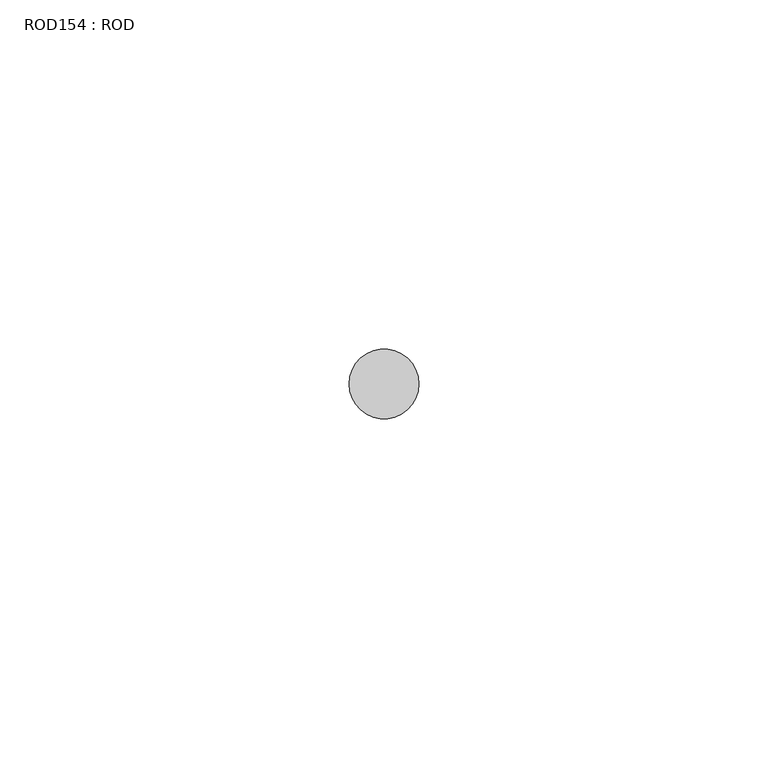
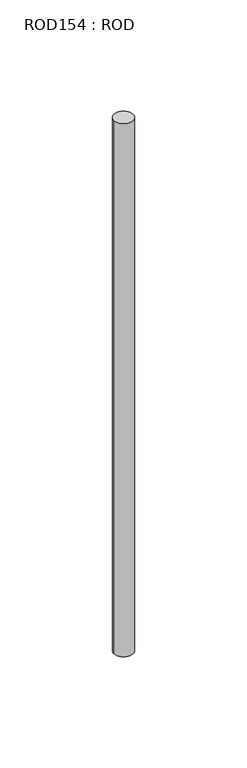
"""IFC4 building model written with IfcOpenShell, lengths in millimetres: proxy geometry, ROD154 : ROD."""

import ifcopenshell
import ifcopenshell.guid

model = None  # the IFC model being written
_history = None  # IfcOwnerHistory: only IFC2X3 demands one
_inside = {}  # id of a spatial element -> (the spatial element, [elements in it])
_under = {}  # id of a project, library or spatial element -> (it, [spatial elements below it])
_declared = {}  # id of a project -> (the project, [libraries it declares])
_typed = {}  # id of a type object -> (the type object, [elements of that type])
_made_of = {}  # id of a material, layer set ... -> (it, [elements and type objects made of it])


def new_model(schema):
    """Start an empty IFC model of exactly this schema.

    Asked for "IFC4X3", IfcOpenShell would pick the latest addendum, in which some entities
    have other attributes; the version numbers below select the first issue.
    IFC2X3 requires an IfcOwnerHistory on every rooted entity: one is made here for all.
    """
    global model, _history
    if schema == "IFC4X3":
        model = ifcopenshell.file(schema_version=(4, 3, 0, 0))
    else:
        model = ifcopenshell.file(schema=schema)
    _inside.clear()
    _under.clear()
    _declared.clear()
    _typed.clear()
    _made_of.clear()
    _history = None
    if model.schema == "IFC2X3":
        org = make("IfcOrganization", Name="unknown")
        user = make(
            "IfcPersonAndOrganization",
            ThePerson=make("IfcPerson", FamilyName="unknown"),
            TheOrganization=org,
        )
        app = make(
            "IfcApplication",
            ApplicationDeveloper=org,
            Version="unknown",
            ApplicationFullName="unknown",
            ApplicationIdentifier="unknown",
        )
        _history = make(
            "IfcOwnerHistory",
            OwningUser=user,
            OwningApplication=app,
            ChangeAction="ADDED",
            CreationDate=0,
        )
    return model


def make(cls, **values):
    """One entity of the class cls with the attributes given. An attribute that is None is left unset."""
    return model.create_entity(
        cls, **{name: value for name, value in values.items() if value is not None}
    )


def rooted(cls, **values):
    """An entity with a GlobalId (a new one), such as an element, a storey or a relation."""
    return make(cls, GlobalId=ifcopenshell.guid.new(), OwnerHistory=_history, **values)


def si_unit(unit_type, name, prefix=None):
    """IfcSIUnit, for example si_unit("LENGTHUNIT", "METRE", prefix="MILLI")."""
    return make("IfcSIUnit", UnitType=unit_type, Prefix=prefix, Name=name)


def assignment(units):
    """IfcUnitAssignment: the units of a project."""
    return None if units is None else make("IfcUnitAssignment", Units=units)


def point(xyz):
    """IfcCartesianPoint."""
    return None if xyz is None else make("IfcCartesianPoint", Coordinates=xyz)


def direction(xyz):
    """IfcDirection."""
    return None if xyz is None else make("IfcDirection", DirectionRatios=xyz)


def frame(location, z_axis=None, x_axis=None):
    """IfcAxis2Placement3D, a coordinate frame: its origin and axes. An axis left out is left unset."""
    return make(
        "IfcAxis2Placement3D",
        Location=point(location),
        Axis=direction(z_axis),
        RefDirection=direction(x_axis),
    )


def frame_2d(location, x_axis=None):
    """IfcAxis2Placement2D, a coordinate frame in the plane: its origin and x axis."""
    return make(
        "IfcAxis2Placement2D", Location=point(location), RefDirection=direction(x_axis)
    )


def origin():
    """The frame at (0, 0, 0) with its axes left unset."""
    return frame((0.0, 0.0, 0.0))


def place(relative_to, where):
    """IfcLocalPlacement: puts the frame where relative to a parent placement (None: the world)."""
    return make(
        "IfcLocalPlacement", PlacementRelTo=relative_to, RelativePlacement=where
    )


def context(
    kind, dimensions, precision=None, world=None, true_north=None, identifier=None
):
    """IfcGeometricRepresentationContext, for example the 3D "Model" context."""
    return make(
        "IfcGeometricRepresentationContext",
        ContextIdentifier=identifier,
        ContextType=kind,
        CoordinateSpaceDimension=dimensions,
        Precision=precision,
        WorldCoordinateSystem=world,
        TrueNorth=true_north,
    )


def project(units=None, contexts=None):
    """IfcProject with its units and contexts."""
    return rooted(
        "IfcProject",
        Name="project",
        RepresentationContexts=contexts,
        UnitsInContext=assignment(units),
    )


def spatial(cls, under=None, at=None, **own):
    """A site, building, storey or space (cls), placed at a placement, below another one or the project."""
    s = rooted(cls, ObjectPlacement=at, **own)
    if under is not None:
        _under.setdefault(under.id(), (under, []))[1].append(s)
    return s


def circle_curve(where, radius):
    """IfcCircle in the frame where."""
    return make("IfcCircle", Position=where, Radius=radius)


def trimmed(basis, trim1, trim2, sense, master):
    """IfcTrimmedCurve: the piece of a basis curve between two trims."""
    return make(
        "IfcTrimmedCurve",
        BasisCurve=basis,
        Trim1=trim1,
        Trim2=trim2,
        SenseAgreement=sense,
        MasterRepresentation=master,
    )


def segment(curve, same_sense, transition):
    """IfcCompositeCurveSegment."""
    return make(
        "IfcCompositeCurveSegment",
        Transition=transition,
        SameSense=same_sense,
        ParentCurve=curve,
    )


def composite_curve(segments, self_intersect=None):
    """IfcCompositeCurve: segments joined end to end."""
    return make("IfcCompositeCurve", Segments=segments, SelfIntersect=self_intersect)


def outline(outer, holes=None, kind="AREA"):
    """IfcArbitraryClosedProfileDef: a profile drawn as a closed curve; with holes, ...WithVoids."""
    if holes is None:
        return make("IfcArbitraryClosedProfileDef", ProfileType=kind, OuterCurve=outer)
    return make(
        "IfcArbitraryProfileDefWithVoids",
        ProfileType=kind,
        OuterCurve=outer,
        InnerCurves=holes,
    )


def extrude(swept, where, along, depth):
    """IfcExtrudedAreaSolid: the profile swept, set in the frame where, extruded along a direction by depth."""
    return make(
        "IfcExtrudedAreaSolid",
        SweptArea=swept,
        Position=where,
        ExtrudedDirection=direction(along),
        Depth=depth,
    )


def shape(context_of_items, identifier, shape_type, items):
    """IfcShapeRepresentation: the items that make up one representation, for example the "Body"."""
    return make(
        "IfcShapeRepresentation",
        ContextOfItems=context_of_items,
        RepresentationIdentifier=identifier,
        RepresentationType=shape_type,
        Items=items,
    )


def source(mapping_origin, context_of_items, identifier, shape_type, items):
    """IfcRepresentationMap: a shape defined once, which mapped items show again and again."""
    return make(
        "IfcRepresentationMap",
        MappingOrigin=mapping_origin,
        MappedRepresentation=shape(context_of_items, identifier, shape_type, items),
    )


def transform(
    local_origin,
    x_axis=None,
    y_axis=None,
    z_axis=None,
    scale=None,
    scale2=None,
    scale3=None,
    uniform=True,
):
    """IfcCartesianTransformationOperator3D, or its non-uniform kind. x_axis, y_axis, z_axis: its Axis1, 2, 3."""
    if uniform:
        return make(
            "IfcCartesianTransformationOperator3D",
            Axis1=direction(x_axis),
            Axis2=direction(y_axis),
            LocalOrigin=point(local_origin),
            Scale=scale,
            Axis3=direction(z_axis),
        )
    return make(
        "IfcCartesianTransformationOperator3DnonUniform",
        Axis1=direction(x_axis),
        Axis2=direction(y_axis),
        LocalOrigin=point(local_origin),
        Scale=scale,
        Axis3=direction(z_axis),
        Scale2=scale2,
        Scale3=scale3,
    )


def mapped(mapping_source, mapping_target):
    """IfcMappedItem: shows the shape of a source again, moved by a transform."""
    return make(
        "IfcMappedItem", MappingSource=mapping_source, MappingTarget=mapping_target
    )


def made_of(thing, what):
    """Note that an element or type object is made of a material, layer set ...; save() writes the relation."""
    if what is not None:
        _made_of.setdefault(what.id(), (what, []))[1].append(thing)
    return thing


def element(
    cls,
    number,
    at=None,
    inside=None,
    cuts=None,
    type_object=None,
    material=None,
    context=None,
    identifier="Body",
    shape_type=None,
    held_by="IfcProductDefinitionShape",
    body=None,
    shapes=None,
    **own,
):
    """One element of the class cls, such as IfcWall. Its Tag is "e" and its number.

    at: its placement. inside: the storey or other place that contains it. cuts: it is an
    opening in that element (IfcRelVoidsElement). A single representation is given by context,
    identifier, shape_type and body (its items); several are given by shapes. held_by: the class
    of the entity that holds the representations. save() writes the other relations.
    """
    e = rooted(cls, Tag="e%d" % number, ObjectPlacement=at, **own)
    if body is not None:
        shapes = [shape(context, identifier, shape_type, body)]
    if shapes is not None:
        e.Representation = make(held_by, Representations=shapes)
    if inside is not None:
        _inside.setdefault(inside.id(), (inside, []))[1].append(e)
    if cuts is not None:
        rooted(
            "IfcRelVoidsElement", RelatingBuildingElement=cuts, RelatedOpeningElement=e
        )
    if type_object is not None:
        _typed.setdefault(type_object.id(), (type_object, []))[1].append(e)
    return made_of(e, material)


def aggregate(whole, parts):
    """IfcRelAggregates: a whole, such as a stair, and the parts it consists of."""
    return rooted("IfcRelAggregates", RelatingObject=whole, RelatedObjects=parts)


def save(model, path):
    """Write the relations noted so far, then the file.

    IfcRelAggregates (storeys below a building ...), IfcRelContainedInSpatialStructure (elements
    in a storey), IfcRelDefinesByType, IfcRelAssociatesMaterial and IfcRelDeclares: one each for
    every whole, place, type object, material and project.
    """
    for whole, parts in _under.values():
        aggregate(whole, parts)
    for where, things in _inside.values():
        rooted(
            "IfcRelContainedInSpatialStructure",
            RelatedElements=things,
            RelatingStructure=where,
        )
    for kind, things in _typed.values():
        rooted("IfcRelDefinesByType", RelatedObjects=things, RelatingType=kind)
    for what, things in _made_of.values():
        rooted("IfcRelAssociatesMaterial", RelatedObjects=things, RelatingMaterial=what)
    for by, libraries in _declared.values():
        rooted("IfcRelDeclares", RelatingContext=by, RelatedDefinitions=libraries)
    model.write(path)


def rod154_rod_e9b87251(model_context):
    return source(origin(), model_context, "Body", "SweptSolid", [
        extrude(outline(composite_curve([segment(trimmed(circle_curve(frame_2d((-7667.2215616, -12414.6300853)), 5.0), [point((-7672.2215616, -12414.6300853))], [point((-7662.2215616, -12414.6300853))], False, "CARTESIAN"), True, "CONTINUOUS"), segment(trimmed(circle_curve(frame_2d((-7667.2215616, -12414.6300853)), 5.0), [point((-7662.2215616, -12414.6300853))], [point((-7672.2215616, -12414.6300853))], False, "CARTESIAN"), True, "CONTINUOUS")], self_intersect=False)), frame((0.0, 0.0, -208.6608845), z_axis=(0.0, 0.0, 1.0), x_axis=(1.0, 0.0, 0.0)), (0.0, 0.0, 1.0), 298.9028972),
    ])


if __name__ == "__main__":
    model = new_model("IFC4")
    model_context = context("Model", 3, world=origin())
    ifc_project = project(units=[si_unit("LENGTHUNIT", "METRE", prefix="MILLI")], contexts=[model_context])
    site = spatial("IfcSite", under=ifc_project)
    building = spatial("IfcBuilding", under=site)
    placement = place(None, origin())
    rod154_rod_shape = rod154_rod_e9b87251(model_context)
    element("IfcBuildingElementProxy", 1, Name="ROD154 : ROD", ObjectType="ROD154 : ROD", at=placement, inside=building, context=model_context, shape_type="MappedRepresentation", body=[
        mapped(rod154_rod_shape, transform((0.0, 0.0, 0.0), x_axis=(1.0, 0.0, 0.0), y_axis=(0.0, 1.0, 0.0), z_axis=(0.0, 0.0, 1.0))),
    ])
    save(model, "model.ifc")
